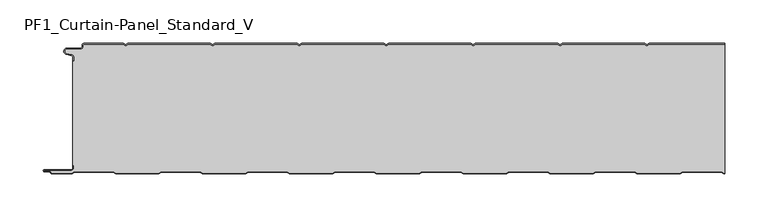
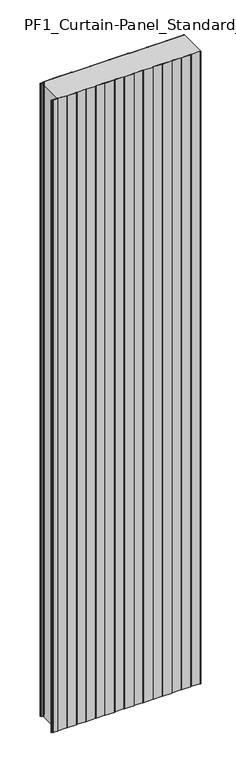
"""IFC4 building model written with IfcOpenShell, lengths in millimetres: plate geometry, PF1_Curtain-Panel_Standard_V."""

import ifcopenshell
import ifcopenshell.guid

model = None  # the IFC model being written
_history = None  # IfcOwnerHistory: only IFC2X3 demands one
_inside = {}  # id of a spatial element -> (the spatial element, [elements in it])
_under = {}  # id of a project, library or spatial element -> (it, [spatial elements below it])
_declared = {}  # id of a project -> (the project, [libraries it declares])
_typed = {}  # id of a type object -> (the type object, [elements of that type])
_made_of = {}  # id of a material, layer set ... -> (it, [elements and type objects made of it])


def new_model(schema):
    """Start an empty IFC model of exactly this schema.

    Asked for "IFC4X3", IfcOpenShell would pick the latest addendum, in which some entities
    have other attributes; the version numbers below select the first issue.
    IFC2X3 requires an IfcOwnerHistory on every rooted entity: one is made here for all.
    """
    global model, _history
    if schema == "IFC4X3":
        model = ifcopenshell.file(schema_version=(4, 3, 0, 0))
    else:
        model = ifcopenshell.file(schema=schema)
    _inside.clear()
    _under.clear()
    _declared.clear()
    _typed.clear()
    _made_of.clear()
    _history = None
    if model.schema == "IFC2X3":
        org = make("IfcOrganization", Name="unknown")
        user = make(
            "IfcPersonAndOrganization",
            ThePerson=make("IfcPerson", FamilyName="unknown"),
            TheOrganization=org,
        )
        app = make(
            "IfcApplication",
            ApplicationDeveloper=org,
            Version="unknown",
            ApplicationFullName="unknown",
            ApplicationIdentifier="unknown",
        )
        _history = make(
            "IfcOwnerHistory",
            OwningUser=user,
            OwningApplication=app,
            ChangeAction="ADDED",
            CreationDate=0,
        )
    return model


def make(cls, **values):
    """One entity of the class cls with the attributes given. An attribute that is None is left unset."""
    return model.create_entity(
        cls, **{name: value for name, value in values.items() if value is not None}
    )


def rooted(cls, **values):
    """An entity with a GlobalId (a new one), such as an element, a storey or a relation."""
    return make(cls, GlobalId=ifcopenshell.guid.new(), OwnerHistory=_history, **values)


def si_unit(unit_type, name, prefix=None):
    """IfcSIUnit, for example si_unit("LENGTHUNIT", "METRE", prefix="MILLI")."""
    return make("IfcSIUnit", UnitType=unit_type, Prefix=prefix, Name=name)


def assignment(units):
    """IfcUnitAssignment: the units of a project."""
    return None if units is None else make("IfcUnitAssignment", Units=units)


def point(xyz):
    """IfcCartesianPoint."""
    return None if xyz is None else make("IfcCartesianPoint", Coordinates=xyz)


def direction(xyz):
    """IfcDirection."""
    return None if xyz is None else make("IfcDirection", DirectionRatios=xyz)


def frame(location, z_axis=None, x_axis=None):
    """IfcAxis2Placement3D, a coordinate frame: its origin and axes. An axis left out is left unset."""
    return make(
        "IfcAxis2Placement3D",
        Location=point(location),
        Axis=direction(z_axis),
        RefDirection=direction(x_axis),
    )


def frame_2d(location, x_axis=None):
    """IfcAxis2Placement2D, a coordinate frame in the plane: its origin and x axis."""
    return make(
        "IfcAxis2Placement2D", Location=point(location), RefDirection=direction(x_axis)
    )


def origin():
    """The frame at (0, 0, 0) with its axes left unset."""
    return frame((0.0, 0.0, 0.0))


def origin_with_axes():
    """The frame at (0, 0, 0) with the z axis (0, 0, 1) and the x axis (1, 0, 0) written out."""
    return frame((0.0, 0.0, 0.0), z_axis=(0.0, 0.0, 1.0), x_axis=(1.0, 0.0, 0.0))


def place(relative_to, where):
    """IfcLocalPlacement: puts the frame where relative to a parent placement (None: the world)."""
    return make(
        "IfcLocalPlacement", PlacementRelTo=relative_to, RelativePlacement=where
    )


def context(
    kind, dimensions, precision=None, world=None, true_north=None, identifier=None
):
    """IfcGeometricRepresentationContext, for example the 3D "Model" context."""
    return make(
        "IfcGeometricRepresentationContext",
        ContextIdentifier=identifier,
        ContextType=kind,
        CoordinateSpaceDimension=dimensions,
        Precision=precision,
        WorldCoordinateSystem=world,
        TrueNorth=true_north,
    )


def project(units=None, contexts=None):
    """IfcProject with its units and contexts."""
    return rooted(
        "IfcProject",
        Name="project",
        RepresentationContexts=contexts,
        UnitsInContext=assignment(units),
    )


def spatial(cls, under=None, at=None, **own):
    """A site, building, storey or space (cls), placed at a placement, below another one or the project."""
    s = rooted(cls, ObjectPlacement=at, **own)
    if under is not None:
        _under.setdefault(under.id(), (under, []))[1].append(s)
    return s


def polyline(points):
    """IfcPolyline through the points."""
    return make("IfcPolyline", Points=[point(p) for p in points])


def circle_curve(where, radius):
    """IfcCircle in the frame where."""
    return make("IfcCircle", Position=where, Radius=radius)


def trimmed(basis, trim1, trim2, sense, master):
    """IfcTrimmedCurve: the piece of a basis curve between two trims."""
    return make(
        "IfcTrimmedCurve",
        BasisCurve=basis,
        Trim1=trim1,
        Trim2=trim2,
        SenseAgreement=sense,
        MasterRepresentation=master,
    )


def segment(curve, same_sense, transition):
    """IfcCompositeCurveSegment."""
    return make(
        "IfcCompositeCurveSegment",
        Transition=transition,
        SameSense=same_sense,
        ParentCurve=curve,
    )


def composite_curve(segments, self_intersect=None):
    """IfcCompositeCurve: segments joined end to end."""
    return make("IfcCompositeCurve", Segments=segments, SelfIntersect=self_intersect)


def outline(outer, holes=None, kind="AREA"):
    """IfcArbitraryClosedProfileDef: a profile drawn as a closed curve; with holes, ...WithVoids."""
    if holes is None:
        return make("IfcArbitraryClosedProfileDef", ProfileType=kind, OuterCurve=outer)
    return make(
        "IfcArbitraryProfileDefWithVoids",
        ProfileType=kind,
        OuterCurve=outer,
        InnerCurves=holes,
    )


def extrude(swept, where, along, depth):
    """IfcExtrudedAreaSolid: the profile swept, set in the frame where, extruded along a direction by depth."""
    return make(
        "IfcExtrudedAreaSolid",
        SweptArea=swept,
        Position=where,
        ExtrudedDirection=direction(along),
        Depth=depth,
    )


def shape(context_of_items, identifier, shape_type, items):
    """IfcShapeRepresentation: the items that make up one representation, for example the "Body"."""
    return make(
        "IfcShapeRepresentation",
        ContextOfItems=context_of_items,
        RepresentationIdentifier=identifier,
        RepresentationType=shape_type,
        Items=items,
    )


def source(mapping_origin, context_of_items, identifier, shape_type, items):
    """IfcRepresentationMap: a shape defined once, which mapped items show again and again."""
    return make(
        "IfcRepresentationMap",
        MappingOrigin=mapping_origin,
        MappedRepresentation=shape(context_of_items, identifier, shape_type, items),
    )


def transform(
    local_origin,
    x_axis=None,
    y_axis=None,
    z_axis=None,
    scale=None,
    scale2=None,
    scale3=None,
    uniform=True,
):
    """IfcCartesianTransformationOperator3D, or its non-uniform kind. x_axis, y_axis, z_axis: its Axis1, 2, 3."""
    if uniform:
        return make(
            "IfcCartesianTransformationOperator3D",
            Axis1=direction(x_axis),
            Axis2=direction(y_axis),
            LocalOrigin=point(local_origin),
            Scale=scale,
            Axis3=direction(z_axis),
        )
    return make(
        "IfcCartesianTransformationOperator3DnonUniform",
        Axis1=direction(x_axis),
        Axis2=direction(y_axis),
        LocalOrigin=point(local_origin),
        Scale=scale,
        Axis3=direction(z_axis),
        Scale2=scale2,
        Scale3=scale3,
    )


def mapped(mapping_source, mapping_target):
    """IfcMappedItem: shows the shape of a source again, moved by a transform."""
    return make(
        "IfcMappedItem", MappingSource=mapping_source, MappingTarget=mapping_target
    )


def made_of(thing, what):
    """Note that an element or type object is made of a material, layer set ...; save() writes the relation."""
    if what is not None:
        _made_of.setdefault(what.id(), (what, []))[1].append(thing)
    return thing


def element(
    cls,
    number,
    at=None,
    inside=None,
    cuts=None,
    type_object=None,
    material=None,
    context=None,
    identifier="Body",
    shape_type=None,
    held_by="IfcProductDefinitionShape",
    body=None,
    shapes=None,
    **own,
):
    """One element of the class cls, such as IfcWall. Its Tag is "e" and its number.

    at: its placement. inside: the storey or other place that contains it. cuts: it is an
    opening in that element (IfcRelVoidsElement). A single representation is given by context,
    identifier, shape_type and body (its items); several are given by shapes. held_by: the class
    of the entity that holds the representations. save() writes the other relations.
    """
    e = rooted(cls, Tag="e%d" % number, ObjectPlacement=at, **own)
    if body is not None:
        shapes = [shape(context, identifier, shape_type, body)]
    if shapes is not None:
        e.Representation = make(held_by, Representations=shapes)
    if inside is not None:
        _inside.setdefault(inside.id(), (inside, []))[1].append(e)
    if cuts is not None:
        rooted(
            "IfcRelVoidsElement", RelatingBuildingElement=cuts, RelatedOpeningElement=e
        )
    if type_object is not None:
        _typed.setdefault(type_object.id(), (type_object, []))[1].append(e)
    return made_of(e, material)


def aggregate(whole, parts):
    """IfcRelAggregates: a whole, such as a stair, and the parts it consists of."""
    return rooted("IfcRelAggregates", RelatingObject=whole, RelatedObjects=parts)


def save(model, path):
    """Write the relations noted so far, then the file.

    IfcRelAggregates (storeys below a building ...), IfcRelContainedInSpatialStructure (elements
    in a storey), IfcRelDefinesByType, IfcRelAssociatesMaterial and IfcRelDeclares: one each for
    every whole, place, type object, material and project.
    """
    for whole, parts in _under.values():
        aggregate(whole, parts)
    for where, things in _inside.values():
        rooted(
            "IfcRelContainedInSpatialStructure",
            RelatedElements=things,
            RelatingStructure=where,
        )
    for kind, things in _typed.values():
        rooted("IfcRelDefinesByType", RelatedObjects=things, RelatingType=kind)
    for what, things in _made_of.values():
        rooted("IfcRelAssociatesMaterial", RelatedObjects=things, RelatingMaterial=what)
    for by, libraries in _declared.values():
        rooted("IfcRelDeclares", RelatingContext=by, RelatedDefinitions=libraries)
    model.write(path)


def pf1_curtain_panel_standard_v_55caf755(model_context):
    return source(origin(), model_context, "Body", "SweptSolid", [
        extrude(outline(composite_curve([segment(trimmed(circle_curve(frame_2d((-377.0, -15.878557)), 2.0), [point((-375.0, -15.878557))], [point((-376.5500978, -13.9298169))], True, "CARTESIAN"), True, "CONTINUOUS"), segment(polyline([(-376.5500978, -13.9298169), (-382.7098239, -12.507732)]), True, "CONTINUOUS"), segment(trimmed(circle_curve(frame_2d((-381.9, -9.0)), 3.6), [point((-382.7098239, -12.507732))], [point((-381.9, -5.4))], False, "CARTESIAN"), True, "CONTINUOUS"), segment(polyline([(-381.9, -5.4), (-366.4, -5.4)]), True, "CONTINUOUS"), segment(trimmed(circle_curve(frame_2d((-366.4, -3.4)), 2.0), [point((-366.4, -5.4))], [point((-364.4, -3.4))], True, "CARTESIAN"), True, "CONTINUOUS"), segment(polyline([(-364.4, -3.4), (-364.4, -2.0)]), True, "CONTINUOUS"), segment(trimmed(circle_curve(frame_2d((-362.4, -2.0)), 2.0), [point((-364.4, -2.0))], [point((-362.4, 0.0))], False, "CARTESIAN"), True, "CONTINUOUS"), segment(polyline([(-362.4, 0.0), (-317.0999995, 0.0), (-314.4, -1.5588455), (-311.7000005, 0.0), (-217.0999995, 0.0), (-214.4, -1.5588455), (-211.7000005, 0.0), (-117.0999995, 0.0), (-114.4, -1.5588455), (-111.7000005, 0.0), (-17.0999995, 0.0), (-14.4, -1.5588455), (-11.7000005, 0.0), (82.9000005, 0.0), (85.6, -1.5588455), (88.2999995, 0.0), (182.9000005, 0.0), (185.6, -1.5588455), (188.2999995, 0.0), (282.9000005, 0.0), (285.6, -1.5588455), (288.2999995, 0.0), (375.0, 0.0), (375.0, -0.8), (288.5143588, -0.8), (285.6, -2.482606), (282.6856412, -0.8), (188.5143588, -0.8), (185.6, -2.482606), (182.6856412, -0.8), (88.5143588, -0.8), (85.6, -2.482606), (82.6856412, -0.8), (-11.4856412, -0.8), (-14.4, -2.482606), (-17.3143588, -0.8), (-111.4856412, -0.8), (-114.4, -2.482606), (-117.3143588, -0.8), (-211.4856412, -0.8), (-214.4, -2.482606), (-217.3143588, -0.8), (-311.4856412, -0.8), (-314.4, -2.482606), (-317.3143588, -0.8), (-362.4, -0.8)]), True, "CONTINUOUS"), segment(trimmed(circle_curve(frame_2d((-362.4, -2.0)), 1.2), [point((-362.4, -0.8))], [point((-363.6, -2.0))], True, "CARTESIAN"), True, "CONTINUOUS"), segment(polyline([(-363.6, -2.0), (-363.6, -3.4)]), True, "CONTINUOUS"), segment(trimmed(circle_curve(frame_2d((-366.4, -3.4)), 2.8), [point((-363.6, -3.4))], [point((-366.4, -6.2))], False, "CARTESIAN"), True, "CONTINUOUS"), segment(polyline([(-366.4, -6.2), (-381.9, -6.2)]), True, "CONTINUOUS"), segment(trimmed(circle_curve(frame_2d((-381.9, -9.0)), 2.8), [point((-381.9, -6.2))], [point((-382.529863, -11.7282362))], True, "CARTESIAN"), True, "CONTINUOUS"), segment(polyline([(-382.529863, -11.7282362), (-376.370137, -13.150321)]), True, "CONTINUOUS"), segment(trimmed(circle_curve(frame_2d((-377.0, -15.878557)), 2.8), [point((-376.370137, -13.150321))], [point((-374.2, -15.878557))], False, "CARTESIAN"), True, "CONTINUOUS"), segment(polyline([(-374.2, -15.878557), (-374.2, -20.0), (-375.0, -20.0), (-375.0, -15.878557)]), True, "CONTINUOUS")], self_intersect=False)), origin_with_axes(), (0.0, 0.0, 1.0), 3500.0),
        extrude(outline(composite_curve([segment(polyline([(-374.2, -140.0), (-375.0, -140.0), (-375.0, -20.0), (-374.2, -20.0), (-374.2, -15.878557)]), True, "CONTINUOUS"), segment(trimmed(circle_curve(frame_2d((-377.0, -15.878557)), 2.8), [point((-374.2, -15.878557))], [point((-376.370137, -13.1503208))], True, "CARTESIAN"), True, "CONTINUOUS"), segment(polyline([(-376.370137, -13.1503208), (-382.529863, -11.7282362)]), True, "CONTINUOUS"), segment(trimmed(circle_curve(frame_2d((-381.9, -9.0)), 2.8), [point((-382.529863, -11.7282362))], [point((-381.9, -6.2))], False, "CARTESIAN"), True, "CONTINUOUS"), segment(polyline([(-381.9, -6.2), (-366.4, -6.2)]), True, "CONTINUOUS"), segment(trimmed(circle_curve(frame_2d((-366.4, -3.4)), 2.8), [point((-366.4, -6.2))], [point((-363.6, -3.4))], True, "CARTESIAN"), True, "CONTINUOUS"), segment(polyline([(-363.6, -3.4), (-363.6, -2.0)]), True, "CONTINUOUS"), segment(trimmed(circle_curve(frame_2d((-362.4, -2.0)), 1.2), [point((-363.6, -2.0))], [point((-362.4, -0.8))], False, "CARTESIAN"), True, "CONTINUOUS"), segment(polyline([(-362.4, -0.8), (-317.3143588, -0.8), (-314.4, -2.482606), (-311.4856412, -0.8), (-217.3143588, -0.8), (-214.4, -2.482606), (-211.4856412, -0.8), (-117.3143588, -0.8), (-114.4, -2.482606), (-111.4856412, -0.8), (-17.3143588, -0.8), (-14.4, -2.482606), (-11.4856412, -0.8), (82.6856412, -0.8), (85.6, -2.482606), (88.5143588, -0.8), (182.6856412, -0.8), (185.6, -2.482606), (188.5143588, -0.8), (282.6856412, -0.8), (285.6, -2.482606), (288.5143588, -0.8), (375.0, -0.8), (375.0, -149.2), (374.2152562, -149.2), (371.6171786, -147.7), (326.3884624, -147.7), (323.7903848, -149.2), (274.2152562, -149.2), (271.6171786, -147.7), (226.3884624, -147.7), (223.7903848, -149.2), (174.2152562, -149.2), (171.6171786, -147.7), (126.3884624, -147.7), (123.7903848, -149.2), (74.2152562, -149.2), (71.6171786, -147.7), (26.3884624, -147.7), (23.7903848, -149.2), (-25.7847438, -149.2), (-28.3828214, -147.7), (-73.6115376, -147.7), (-76.2096152, -149.2), (-125.7847438, -149.2), (-128.3828214, -147.7), (-173.6115376, -147.7), (-176.2096152, -149.2), (-225.7847438, -149.2), (-228.3828214, -147.7), (-273.6115376, -147.7), (-276.2096152, -149.2), (-325.7847438, -149.2), (-328.3828214, -147.7), (-373.6115376, -147.7), (-376.2096152, -149.2), (-399.4, -149.2)]), True, "CONTINUOUS"), segment(trimmed(circle_curve(frame_2d((-399.4, -148.4)), 0.8), [point((-399.4, -149.2))], [point((-400.2, -148.4))], False, "CARTESIAN"), True, "CONTINUOUS"), segment(trimmed(circle_curve(frame_2d((-401.9, -148.6133333)), 1.7133333), [point((-400.2, -148.4))], [point((-401.9, -146.9))], True, "CARTESIAN"), True, "CONTINUOUS"), segment(polyline([(-401.9, -146.9), (-407.8700312, -146.9)]), True, "CONTINUOUS"), segment(trimmed(circle_curve(frame_2d((-407.8700312, -146.6)), 0.3), [point((-407.8700312, -146.9))], [point((-407.8700312, -146.3))], False, "CARTESIAN"), True, "CONTINUOUS"), segment(polyline([(-407.8700312, -146.3), (-377.0, -146.3)]), True, "CONTINUOUS"), segment(trimmed(circle_curve(frame_2d((-377.0, -143.5)), 2.8), [point((-377.0, -146.3))], [point((-374.2, -143.5))], True, "CARTESIAN"), True, "CONTINUOUS"), segment(polyline([(-374.2, -143.5), (-374.2, -140.0)]), True, "CONTINUOUS")], self_intersect=False)), origin_with_axes(), (0.0, 0.0, 1.0), 3500.0),
        extrude(outline(composite_curve([segment(polyline([(-375.0, -140.0), (-374.2, -140.0), (-374.2, -143.5)]), True, "CONTINUOUS"), segment(trimmed(circle_curve(frame_2d((-377.0, -143.5)), 2.8), [point((-374.2, -143.5))], [point((-377.0, -146.3))], False, "CARTESIAN"), True, "CONTINUOUS"), segment(polyline([(-377.0, -146.3), (-407.8700312, -146.3)]), True, "CONTINUOUS"), segment(trimmed(circle_curve(frame_2d((-407.8700312, -146.6)), 0.3), [point((-407.8700312, -146.3))], [point((-407.8700312, -146.9))], True, "CARTESIAN"), True, "CONTINUOUS"), segment(polyline([(-407.8700312, -146.9), (-401.9, -146.9)]), True, "CONTINUOUS"), segment(trimmed(circle_curve(frame_2d((-401.9, -148.6133333)), 1.7133333), [point((-401.9, -146.9))], [point((-400.2, -148.4))], False, "CARTESIAN"), True, "CONTINUOUS"), segment(trimmed(circle_curve(frame_2d((-399.4, -148.4)), 0.8), [point((-400.2, -148.4))], [point((-399.4, -149.2))], True, "CARTESIAN"), True, "CONTINUOUS"), segment(polyline([(-399.4, -149.2), (-376.2096152, -149.2), (-373.6115376, -147.7), (-328.3828214, -147.7), (-325.7847438, -149.2), (-276.2096152, -149.2), (-273.6115376, -147.7), (-228.3828214, -147.7), (-225.7847438, -149.2), (-176.2096152, -149.2), (-173.6115376, -147.7), (-128.3828214, -147.7), (-125.7847438, -149.2), (-76.2096152, -149.2), (-73.6115376, -147.7), (-28.3828214, -147.7), (-25.7847438, -149.2), (23.7903848, -149.2), (26.3884624, -147.7), (71.6171786, -147.7), (74.2152562, -149.2), (123.7903848, -149.2), (126.3884624, -147.7), (171.6171786, -147.7), (174.2152562, -149.2), (223.7903848, -149.2), (226.3884624, -147.7), (271.6171786, -147.7), (274.2152562, -149.2), (323.7903848, -149.2), (326.3884624, -147.7), (371.6171786, -147.7), (374.2152562, -149.2), (375.0, -149.2), (375.0, -150.0), (374.0008969, -150.0), (371.4028193, -148.5), (326.6028217, -148.5), (324.0047441, -150.0), (274.0008969, -150.0), (271.4028193, -148.5), (226.6028217, -148.5), (224.0047441, -150.0), (174.0008969, -150.0), (171.4028193, -148.5), (126.6028217, -148.5), (124.0047441, -150.0), (74.0008969, -150.0), (71.4028193, -148.5), (26.6028217, -148.5), (24.0047441, -150.0), (-25.9991031, -150.0), (-28.5971807, -148.5), (-73.3971783, -148.5), (-75.9952559, -150.0), (-125.9991031, -150.0), (-128.5971807, -148.5), (-173.3971783, -148.5), (-175.9952559, -150.0), (-225.9991031, -150.0), (-228.5971807, -148.5), (-273.3971783, -148.5), (-275.9952559, -150.0), (-325.9991031, -150.0), (-328.5971807, -148.5), (-373.3971783, -148.5), (-375.9952559, -150.0), (-399.4, -150.0)]), True, "CONTINUOUS"), segment(trimmed(circle_curve(frame_2d((-399.4, -148.4)), 1.6), [point((-399.4, -150.0))], [point((-401.0, -148.4))], False, "CARTESIAN"), True, "CONTINUOUS"), segment(trimmed(circle_curve(frame_2d((-401.9, -148.4)), 0.9), [point((-401.0, -148.4))], [point((-401.9, -147.5))], True, "CARTESIAN"), True, "CONTINUOUS"), segment(polyline([(-401.9, -147.5), (-408.0, -147.5)]), True, "CONTINUOUS"), segment(trimmed(circle_curve(frame_2d((-408.0, -146.5)), 1.0), [point((-408.0, -147.5))], [point((-408.0, -145.5))], False, "CARTESIAN"), True, "CONTINUOUS"), segment(polyline([(-408.0, -145.5), (-377.0, -145.5)]), True, "CONTINUOUS"), segment(trimmed(circle_curve(frame_2d((-377.0, -143.5)), 2.0), [point((-377.0, -145.5))], [point((-375.0, -143.5))], True, "CARTESIAN"), True, "CONTINUOUS"), segment(polyline([(-375.0, -143.5), (-375.0, -140.0)]), True, "CONTINUOUS")], self_intersect=False)), origin_with_axes(), (0.0, 0.0, 1.0), 3500.0),
    ])


if __name__ == "__main__":
    model = new_model("IFC4")
    model_context = context("Model", 3, world=origin())
    ifc_project = project(units=[si_unit("LENGTHUNIT", "METRE", prefix="MILLI")], contexts=[model_context])
    site = spatial("IfcSite", under=ifc_project)
    building = spatial("IfcBuilding", under=site)
    placement = place(None, origin())
    pf1_curtain_panel_standard_v_shape = pf1_curtain_panel_standard_v_55caf755(model_context)
    element("IfcPlate", 1, ObjectType="PF1_Curtain-Panel_Standard_V", at=placement, inside=building, context=model_context, shape_type="MappedRepresentation", body=[
        mapped(pf1_curtain_panel_standard_v_shape, transform((0.0, 0.0, 0.0), x_axis=(1.0, 0.0, 0.0), y_axis=(0.0, 1.0, 0.0), z_axis=(0.0, 0.0, 1.0))),
    ])
    save(model, "model.ifc")
